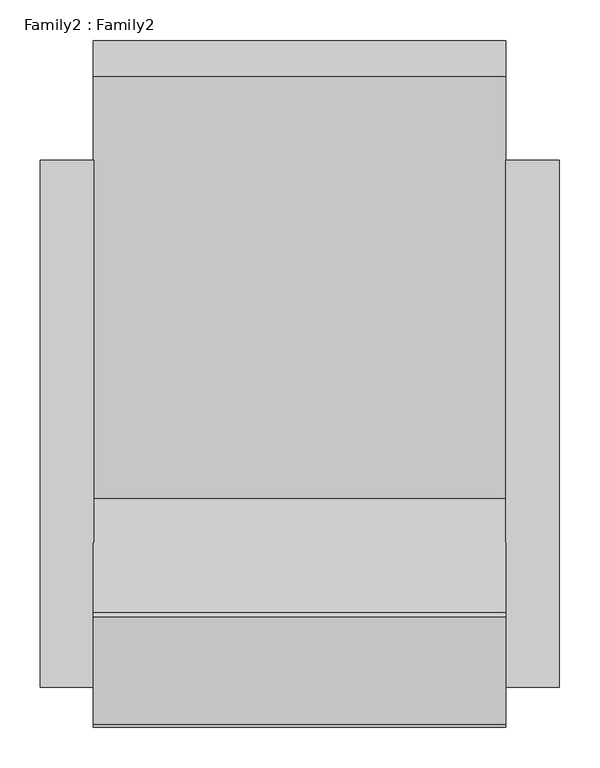
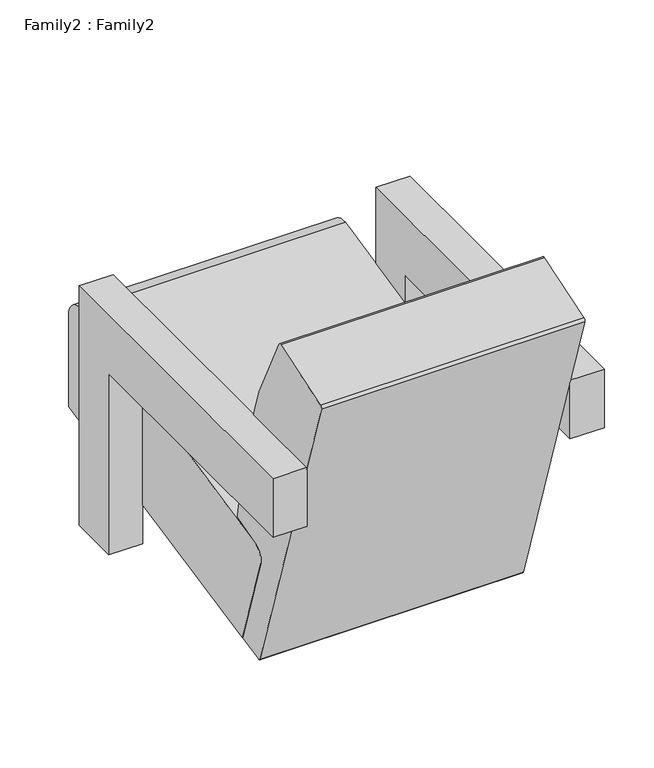
"""IFC4 building model written with IfcOpenShell, lengths in millimetres: plate geometry, Family2 : Family2."""

from ifc_helpers import new_model, si_unit, point, frame, frame_2d, origin, place, context, project, spatial, polyline, circle_curve, trimmed, segment, composite_curve, outline, extrude, source, transform, mapped, element, save


def family2_family2_400b15fa(model_context):
    return source(origin(), model_context, "Body", "SweptSolid", [
        extrude(outline(composite_curve([segment(polyline([(530.0, 316.2125), (530.0, 130.1522428), (-54.1861181, 11.5606926), (-114.7993554, 198.5577722)]), True, "CONTINUOUS"), segment(trimmed(circle_curve(frame_2d((-91.0174991, 206.2664236)), 25.0), [point((-114.7993554, 198.5577722))], [point((-98.7261505, 230.04828))], False, "CARTESIAN"), True, "CONTINUOUS"), segment(trimmed(circle_curve(frame_2d((916.0987439, -3060.3047823)), 3443.2967983), [point((-98.7261505, 230.04828))], [point((484.9919297, 355.897752))], False, "CARTESIAN"), True, "CONTINUOUS"), segment(trimmed(circle_curve(frame_2d((490.0, 316.2125)), 40.0), [point((484.9919297, 355.897752))], [point((530.0, 316.2125))], False, "CARTESIAN"), True, "CONTINUOUS")], self_intersect=False)), frame((-255.0, 0.0, 0.0), z_axis=(1.0, 0.0, 0.0), x_axis=(0.0, 1.0, 0.0)), (0.0, 0.0, 1.0), 510.0),
        extrude(outline(composite_curve([segment(polyline([(-112.002313, 2.5478038), (-318.4582697, 639.4822868)]), True, "CONTINUOUS"), segment(trimmed(circle_curve(frame_2d((-313.7018984, 641.0240171)), 5.0), [point((-318.4582697, 639.4822868))], [point((-315.2436287, 645.7803884))], False, "CARTESIAN"), True, "CONTINUOUS"), segment(polyline([(-315.2436287, 645.7803884), (-182.5989786, 688.7758281)]), True, "CONTINUOUS"), segment(trimmed(circle_curve(frame_2d((-181.0572483, 684.0194568)), 5.0), [point((-182.5989786, 688.7758281))], [point((-176.7329722, 686.5295636))], False, "CARTESIAN"), True, "CONTINUOUS"), segment(trimmed(circle_curve(frame_2d((-1108.3860869, 145.7341311)), 1077.2359194), [point((-176.7329722, 686.5295636))], [point((-36.3317301, 251.2646102))], False, "CARTESIAN"), True, "CONTINUOUS"), segment(trimmed(circle_curve(frame_2d((-39.3173, 250.9707178)), 3.0), [point((-36.3317301, 251.2646102))], [point((-38.502442, 248.0835035))], False, "CARTESIAN"), True, "CONTINUOUS"), segment(polyline([(-38.502442, 248.0835035), (-99.0344966, 230.9995542)]), True, "CONTINUOUS"), segment(trimmed(circle_curve(frame_2d((-91.0174991, 206.2664236)), 26.0), [point((-99.0344966, 230.9995542))], [point((-115.7506297, 198.2494261))], True, "CARTESIAN"), True, "CONTINUOUS"), segment(polyline([(-115.7506297, 198.2494261), (-55.1748035, 11.3677631), (-108.5516924, 0.5328025)]), True, "CONTINUOUS"), segment(trimmed(circle_curve(frame_2d((-109.1484902, 3.472842)), 3.0), [point((-108.5516924, 0.5328025))], [point((-112.002313, 2.5478038))], False, "CARTESIAN"), True, "CONTINUOUS")], self_intersect=False)), frame((-255.0, 0.0, 0.0), z_axis=(1.0, 0.0, 0.0), x_axis=(0.0, 1.0, 0.0)), (0.0, 0.0, 1.0), 510.0),
        extrude(outline(polyline([(381.8626273, 490.0), (381.8626273, 0.0), (282.4571996, 0.0), (282.4571996, 370.0), (-268.7911538, 370.0), (-268.7911538, 490.0), (381.8626273, 490.0)])), frame((255.0, 0.0, 0.0), z_axis=(1.0, 0.0, 0.0), x_axis=(0.0, 1.0, 0.0)), (0.0, 0.0, 1.0), 66.0),
        extrude(outline(polyline([(381.8626273, 490.0), (381.8626273, 0.0), (282.4571996, 0.0), (282.4571996, 370.0), (-268.7911538, 370.0), (-268.7911538, 490.0), (381.8626273, 490.0)])), frame((-320.0, 0.0, 0.0), z_axis=(1.0, 0.0, 0.0), x_axis=(0.0, 1.0, 0.0)), (0.0, 0.0, 1.0), 66.0),
    ])


if __name__ == "__main__":
    model = new_model("IFC4")
    model_context = context("Model", 3, world=origin())
    ifc_project = project(units=[si_unit("LENGTHUNIT", "METRE", prefix="MILLI")], contexts=[model_context])
    site = spatial("IfcSite", under=ifc_project)
    building = spatial("IfcBuilding", under=site)
    placement = place(None, origin())
    family2_family2_shape = family2_family2_400b15fa(model_context)
    element("IfcPlate", 1, ObjectType="Family2 : Family2", at=placement, inside=building, context=model_context, shape_type="MappedRepresentation", body=[
        mapped(family2_family2_shape, transform((0.0, 0.0, 0.0), x_axis=(1.0, 0.0, 0.0), y_axis=(0.0, 1.0, 0.0), z_axis=(0.0, 0.0, 1.0))),
    ])
    save(model, "model.ifc")
